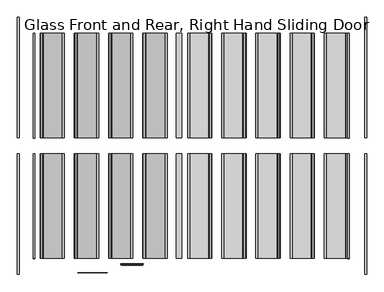
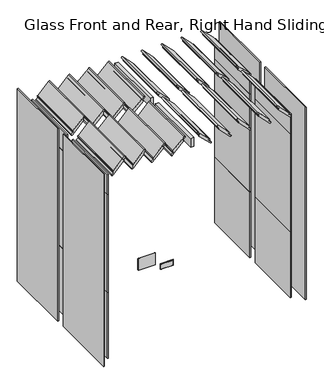
"""IFC4 building model written with IfcOpenShell, lengths in millimetres: furniture geometry, Glass Front and Rear, Right Hand Sliding Door."""

from ifc_helpers import new_model, si_unit, point, frame, frame_2d, origin, origin_with_axes, place, context, project, spatial, polyline, circle_curve, ellipse_curve, trimmed, segment, composite_curve, outline, extrude, source, transform, mapped, element, save
from ifc_brep_helpers import plane_surface, cylinder_surface, advanced_brep


def glass_front_and_rear_right_hand_sliding_door_3e68c222(model_context):
    return source(origin(), model_context, "Body", "SolidModel", [
        extrude(outline(polyline([(1057.0, 1550.0), (1057.0, 875.0), (1022.0, 875.0), (1022.0, 1550.0), (1057.0, 1550.0)])), frame((0.0, 0.0, 2150.0), z_axis=(0.0, 0.0, 1.0), x_axis=(1.0, 0.0, 0.0)), (0.0, 0.0, 1.0), 100.0),
        extrude(outline(polyline([(1022.0, 775.0), (1057.0, 775.0), (1057.0, 100.0), (1022.0, 100.0), (1022.0, 775.0)])), frame((0.0, 0.0, 2150.0), z_axis=(0.0, 0.0, 1.0), x_axis=(1.0, 0.0, 0.0)), (0.0, 0.0, 1.0), 100.0),
        extrude(outline(composite_curve([segment(trimmed(circle_curve(frame_2d((2167.5735931, 170.9669914)), 7.5), [point((2172.876894, 165.6636906))], [point((2167.5735931, 163.4669914))], False, "CARTESIAN"), True, "CONTINUOUS"), segment(trimmed(circle_curve(frame_2d((2167.5735931, 170.9669914)), 7.5), [point((2167.5735931, 163.4669914))], [point((2162.2702923, 165.6636906))], False, "CARTESIAN"), True, "CONTINUOUS"), segment(trimmed(circle_curve(frame_2d((2156.9669914, 160.3603897)), 7.5), [point((2162.2702923, 165.6636906))], [point((2156.9669914, 167.8603897))], True, "CARTESIAN"), True, "CONTINUOUS"), segment(trimmed(circle_curve(frame_2d((2156.9669914, 160.3603897)), 7.5), [point((2156.9669914, 167.8603897))], [point((2151.6636906, 165.6636906))], True, "CARTESIAN"), True, "CONTINUOUS"), segment(polyline([(2151.6636906, 165.6636906), (2134.0039832, 148.0039832)]), True, "CONTINUOUS"), segment(trimmed(circle_curve(frame_2d((2128.7006823, 153.3072841)), 7.5), [point((2134.0039832, 148.0039832))], [point((2123.3973815, 158.6105849))], False, "CARTESIAN"), True, "CONTINUOUS"), segment(polyline([(2123.3973815, 158.6105849), (2247.123106, 282.3363094)]), True, "CONTINUOUS"), segment(trimmed(circle_curve(frame_2d((2252.4264069, 277.0330086)), 7.5), [point((2247.123106, 282.3363094))], [point((2252.4264069, 284.5330086))], False, "CARTESIAN"), True, "CONTINUOUS"), segment(trimmed(circle_curve(frame_2d((2252.4264069, 277.0330086)), 7.5), [point((2252.4264069, 284.5330086))], [point((2257.7297077, 282.3363094))], False, "CARTESIAN"), True, "CONTINUOUS"), segment(trimmed(circle_curve(frame_2d((2263.0330086, 287.6396103)), 7.5), [point((2257.7297077, 282.3363094))], [point((2268.3363094, 282.3363094))], True, "CARTESIAN"), True, "CONTINUOUS"), segment(polyline([(2268.3363094, 282.3363094), (2286.0234488, 300.0234488)]), True, "CONTINUOUS"), segment(trimmed(circle_curve(frame_2d((2291.3267497, 294.720148)), 7.5), [point((2286.0234488, 300.0234488))], [point((2296.6300506, 289.4168471))], False, "CARTESIAN"), True, "CONTINUOUS"), segment(polyline([(2296.6300506, 289.4168471), (2172.876894, 165.6636906)]), True, "CONTINUOUS")], self_intersect=False)), frame((0.0, 875.0, 0.0), z_axis=(0.0, 1.0, 0.0), x_axis=(0.0, 0.0, 1.0)), (0.0, 0.0, 1.0), 675.0),
        extrude(outline(composite_curve([segment(trimmed(circle_curve(frame_2d((2167.5735931, 390.9669914)), 7.5), [point((2172.876894, 385.6636906))], [point((2167.5735931, 383.4669914))], False, "CARTESIAN"), True, "CONTINUOUS"), segment(trimmed(circle_curve(frame_2d((2167.5735931, 390.9669914)), 7.5), [point((2167.5735931, 383.4669914))], [point((2162.2702923, 385.6636906))], False, "CARTESIAN"), True, "CONTINUOUS"), segment(trimmed(circle_curve(frame_2d((2156.9669914, 380.3603897)), 7.5), [point((2162.2702923, 385.6636906))], [point((2156.9669914, 387.8603897))], True, "CARTESIAN"), True, "CONTINUOUS"), segment(trimmed(circle_curve(frame_2d((2156.9669914, 380.3603897)), 7.5), [point((2156.9669914, 387.8603897))], [point((2151.6636906, 385.6636906))], True, "CARTESIAN"), True, "CONTINUOUS"), segment(polyline([(2151.6636906, 385.6636906), (2134.0039832, 368.0039832)]), True, "CONTINUOUS"), segment(trimmed(circle_curve(frame_2d((2128.7006823, 373.3072841)), 7.5), [point((2134.0039832, 368.0039832))], [point((2123.3973815, 378.6105849))], False, "CARTESIAN"), True, "CONTINUOUS"), segment(polyline([(2123.3973815, 378.6105849), (2247.123106, 502.3363094)]), True, "CONTINUOUS"), segment(trimmed(circle_curve(frame_2d((2252.4264069, 497.0330086)), 7.5), [point((2247.123106, 502.3363094))], [point((2252.4264069, 504.5330086))], False, "CARTESIAN"), True, "CONTINUOUS"), segment(trimmed(circle_curve(frame_2d((2252.4264069, 497.0330086)), 7.5), [point((2252.4264069, 504.5330086))], [point((2257.7297077, 502.3363094))], False, "CARTESIAN"), True, "CONTINUOUS"), segment(trimmed(circle_curve(frame_2d((2263.0330086, 507.6396103)), 7.5), [point((2257.7297077, 502.3363094))], [point((2268.3363094, 502.3363094))], True, "CARTESIAN"), True, "CONTINUOUS"), segment(polyline([(2268.3363094, 502.3363094), (2286.0234488, 520.0234488)]), True, "CONTINUOUS"), segment(trimmed(circle_curve(frame_2d((2291.3267497, 514.720148)), 7.5), [point((2286.0234488, 520.0234488))], [point((2296.6300506, 509.4168471))], False, "CARTESIAN"), True, "CONTINUOUS"), segment(polyline([(2296.6300506, 509.4168471), (2172.876894, 385.6636906)]), True, "CONTINUOUS")], self_intersect=False)), frame((0.0, 875.0, 0.0), z_axis=(0.0, 1.0, 0.0), x_axis=(0.0, 0.0, 1.0)), (0.0, 0.0, 1.0), 675.0),
        extrude(outline(composite_curve([segment(trimmed(circle_curve(frame_2d((2167.5735931, 610.9669914)), 7.5), [point((2172.876894, 605.6636906))], [point((2167.5735931, 603.4669914))], False, "CARTESIAN"), True, "CONTINUOUS"), segment(trimmed(circle_curve(frame_2d((2167.5735931, 610.9669914)), 7.5), [point((2167.5735931, 603.4669914))], [point((2162.2702923, 605.6636906))], False, "CARTESIAN"), True, "CONTINUOUS"), segment(trimmed(circle_curve(frame_2d((2156.9669914, 600.3603897)), 7.5), [point((2162.2702923, 605.6636906))], [point((2156.9669914, 607.8603897))], True, "CARTESIAN"), True, "CONTINUOUS"), segment(trimmed(circle_curve(frame_2d((2156.9669914, 600.3603897)), 7.5), [point((2156.9669914, 607.8603897))], [point((2151.6636906, 605.6636906))], True, "CARTESIAN"), True, "CONTINUOUS"), segment(polyline([(2151.6636906, 605.6636906), (2134.0039832, 588.0039832)]), True, "CONTINUOUS"), segment(trimmed(circle_curve(frame_2d((2128.7006823, 593.3072841)), 7.5), [point((2134.0039832, 588.0039832))], [point((2123.3973815, 598.6105849))], False, "CARTESIAN"), True, "CONTINUOUS"), segment(polyline([(2123.3973815, 598.6105849), (2247.123106, 722.3363094)]), True, "CONTINUOUS"), segment(trimmed(circle_curve(frame_2d((2252.4264069, 717.0330086)), 7.5), [point((2247.123106, 722.3363094))], [point((2252.4264069, 724.5330086))], False, "CARTESIAN"), True, "CONTINUOUS"), segment(trimmed(circle_curve(frame_2d((2252.4264069, 717.0330086)), 7.5), [point((2252.4264069, 724.5330086))], [point((2257.7297077, 722.3363094))], False, "CARTESIAN"), True, "CONTINUOUS"), segment(trimmed(circle_curve(frame_2d((2263.0330086, 727.6396103)), 7.5), [point((2257.7297077, 722.3363094))], [point((2268.3363094, 722.3363094))], True, "CARTESIAN"), True, "CONTINUOUS"), segment(polyline([(2268.3363094, 722.3363094), (2286.0234488, 740.0234488)]), True, "CONTINUOUS"), segment(trimmed(circle_curve(frame_2d((2291.3267497, 734.720148)), 7.5), [point((2286.0234488, 740.0234488))], [point((2296.6300506, 729.4168471))], False, "CARTESIAN"), True, "CONTINUOUS"), segment(polyline([(2296.6300506, 729.4168471), (2172.876894, 605.6636906)]), True, "CONTINUOUS")], self_intersect=False)), frame((0.0, 875.0, 0.0), z_axis=(0.0, 1.0, 0.0), x_axis=(0.0, 0.0, 1.0)), (0.0, 0.0, 1.0), 675.0),
        extrude(outline(composite_curve([segment(trimmed(circle_curve(frame_2d((2167.5735931, 830.9669914)), 7.5), [point((2172.876894, 825.6636906))], [point((2167.5735931, 823.4669914))], False, "CARTESIAN"), True, "CONTINUOUS"), segment(trimmed(circle_curve(frame_2d((2167.5735931, 830.9669914)), 7.5), [point((2167.5735931, 823.4669914))], [point((2162.2702923, 825.6636906))], False, "CARTESIAN"), True, "CONTINUOUS"), segment(trimmed(circle_curve(frame_2d((2156.9669914, 820.3603897)), 7.5), [point((2162.2702923, 825.6636906))], [point((2156.9669914, 827.8603897))], True, "CARTESIAN"), True, "CONTINUOUS"), segment(trimmed(circle_curve(frame_2d((2156.9669914, 820.3603897)), 7.5), [point((2156.9669914, 827.8603897))], [point((2151.6636906, 825.6636906))], True, "CARTESIAN"), True, "CONTINUOUS"), segment(polyline([(2151.6636906, 825.6636906), (2134.0039832, 808.0039832)]), True, "CONTINUOUS"), segment(trimmed(circle_curve(frame_2d((2128.7006823, 813.3072841)), 7.5), [point((2134.0039832, 808.0039832))], [point((2123.3973815, 818.6105849))], False, "CARTESIAN"), True, "CONTINUOUS"), segment(polyline([(2123.3973815, 818.6105849), (2247.123106, 942.3363094)]), True, "CONTINUOUS"), segment(trimmed(circle_curve(frame_2d((2252.4264069, 937.0330086)), 7.5), [point((2247.123106, 942.3363094))], [point((2252.4264069, 944.5330086))], False, "CARTESIAN"), True, "CONTINUOUS"), segment(trimmed(circle_curve(frame_2d((2252.4264069, 937.0330086)), 7.5), [point((2252.4264069, 944.5330086))], [point((2257.7297077, 942.3363094))], False, "CARTESIAN"), True, "CONTINUOUS"), segment(trimmed(circle_curve(frame_2d((2263.0330086, 947.6396103)), 7.5), [point((2257.7297077, 942.3363094))], [point((2268.3363094, 942.3363094))], True, "CARTESIAN"), True, "CONTINUOUS"), segment(polyline([(2268.3363094, 942.3363094), (2286.0234488, 960.0234488)]), True, "CONTINUOUS"), segment(trimmed(circle_curve(frame_2d((2291.3267497, 954.720148)), 7.5), [point((2286.0234488, 960.0234488))], [point((2296.6300506, 949.4168471))], False, "CARTESIAN"), True, "CONTINUOUS"), segment(polyline([(2296.6300506, 949.4168471), (2172.876894, 825.6636906)]), True, "CONTINUOUS")], self_intersect=False)), frame((0.0, 875.0, 0.0), z_axis=(0.0, 1.0, 0.0), x_axis=(0.0, 0.0, 1.0)), (0.0, 0.0, 1.0), 675.0),
        extrude(outline(composite_curve([segment(trimmed(circle_curve(frame_2d((2291.3267497, 1101.279852)), 7.5), [point((2296.6300506, 1106.5831529))], [point((2286.0234488, 1095.9765512))], False, "CARTESIAN"), True, "CONTINUOUS"), segment(polyline([(2286.0234488, 1095.9765512), (2268.3363094, 1113.6636906)]), True, "CONTINUOUS"), segment(trimmed(circle_curve(frame_2d((2263.0330086, 1108.3603897)), 7.5), [point((2268.3363094, 1113.6636906))], [point((2257.7297077, 1113.6636906))], True, "CARTESIAN"), True, "CONTINUOUS"), segment(trimmed(circle_curve(frame_2d((2252.4264069, 1118.9669914)), 7.5), [point((2257.7297077, 1113.6636906))], [point((2252.4264069, 1111.4669914))], False, "CARTESIAN"), True, "CONTINUOUS"), segment(trimmed(circle_curve(frame_2d((2252.4264069, 1118.9669914)), 7.5), [point((2252.4264069, 1111.4669914))], [point((2247.123106, 1113.6636906))], False, "CARTESIAN"), True, "CONTINUOUS"), segment(polyline([(2247.123106, 1113.6636906), (2123.3973815, 1237.3894151)]), True, "CONTINUOUS"), segment(trimmed(circle_curve(frame_2d((2128.7006823, 1242.6927159)), 7.5), [point((2123.3973815, 1237.3894151))], [point((2134.0039832, 1247.9960168))], False, "CARTESIAN"), True, "CONTINUOUS"), segment(polyline([(2134.0039832, 1247.9960168), (2151.6636906, 1230.3363094)]), True, "CONTINUOUS"), segment(trimmed(circle_curve(frame_2d((2156.9669914, 1235.6396103)), 7.5), [point((2151.6636906, 1230.3363094))], [point((2156.9669914, 1228.1396103))], True, "CARTESIAN"), True, "CONTINUOUS"), segment(trimmed(circle_curve(frame_2d((2156.9669914, 1235.6396103)), 7.5), [point((2156.9669914, 1228.1396103))], [point((2162.2702923, 1230.3363094))], True, "CARTESIAN"), True, "CONTINUOUS"), segment(trimmed(circle_curve(frame_2d((2167.5735931, 1225.0330086)), 7.5), [point((2162.2702923, 1230.3363094))], [point((2167.5735931, 1232.5330086))], False, "CARTESIAN"), True, "CONTINUOUS"), segment(trimmed(circle_curve(frame_2d((2167.5735931, 1225.0330086)), 7.5), [point((2167.5735931, 1232.5330086))], [point((2172.876894, 1230.3363094))], False, "CARTESIAN"), True, "CONTINUOUS"), segment(polyline([(2172.876894, 1230.3363094), (2296.6300506, 1106.5831529)]), True, "CONTINUOUS")], self_intersect=False)), frame((0.0, 875.0, 0.0), z_axis=(0.0, 1.0, 0.0), x_axis=(0.0, 0.0, 1.0)), (0.0, 0.0, 1.0), 675.0),
        extrude(outline(composite_curve([segment(trimmed(circle_curve(frame_2d((2291.3267497, 1321.279852)), 7.5), [point((2296.6300506, 1326.5831529))], [point((2286.0234488, 1315.9765512))], False, "CARTESIAN"), True, "CONTINUOUS"), segment(polyline([(2286.0234488, 1315.9765512), (2268.3363094, 1333.6636906)]), True, "CONTINUOUS"), segment(trimmed(circle_curve(frame_2d((2263.0330086, 1328.3603897)), 7.5), [point((2268.3363094, 1333.6636906))], [point((2257.7297077, 1333.6636906))], True, "CARTESIAN"), True, "CONTINUOUS"), segment(trimmed(circle_curve(frame_2d((2252.4264069, 1338.9669914)), 7.5), [point((2257.7297077, 1333.6636906))], [point((2252.4264069, 1331.4669914))], False, "CARTESIAN"), True, "CONTINUOUS"), segment(trimmed(circle_curve(frame_2d((2252.4264069, 1338.9669914)), 7.5), [point((2252.4264069, 1331.4669914))], [point((2247.123106, 1333.6636906))], False, "CARTESIAN"), True, "CONTINUOUS"), segment(polyline([(2247.123106, 1333.6636906), (2123.3973815, 1457.3894151)]), True, "CONTINUOUS"), segment(trimmed(circle_curve(frame_2d((2128.7006823, 1462.6927159)), 7.5), [point((2123.3973815, 1457.3894151))], [point((2134.0039832, 1467.9960168))], False, "CARTESIAN"), True, "CONTINUOUS"), segment(polyline([(2134.0039832, 1467.9960168), (2151.6636906, 1450.3363094)]), True, "CONTINUOUS"), segment(trimmed(circle_curve(frame_2d((2156.9669914, 1455.6396103)), 7.5), [point((2151.6636906, 1450.3363094))], [point((2156.9669914, 1448.1396103))], True, "CARTESIAN"), True, "CONTINUOUS"), segment(trimmed(circle_curve(frame_2d((2156.9669914, 1455.6396103)), 7.5), [point((2156.9669914, 1448.1396103))], [point((2162.2702923, 1450.3363094))], True, "CARTESIAN"), True, "CONTINUOUS"), segment(trimmed(circle_curve(frame_2d((2167.5735931, 1445.0330086)), 7.5), [point((2162.2702923, 1450.3363094))], [point((2167.5735931, 1452.5330086))], False, "CARTESIAN"), True, "CONTINUOUS"), segment(trimmed(circle_curve(frame_2d((2167.5735931, 1445.0330086)), 7.5), [point((2167.5735931, 1452.5330086))], [point((2172.876894, 1450.3363094))], False, "CARTESIAN"), True, "CONTINUOUS"), segment(polyline([(2172.876894, 1450.3363094), (2296.6300506, 1326.5831529)]), True, "CONTINUOUS")], self_intersect=False)), frame((0.0, 875.0, 0.0), z_axis=(0.0, 1.0, 0.0), x_axis=(0.0, 0.0, 1.0)), (0.0, 0.0, 1.0), 675.0),
        extrude(outline(composite_curve([segment(trimmed(circle_curve(frame_2d((2291.3267497, 1541.279852)), 7.5), [point((2296.6300506, 1546.5831529))], [point((2286.0234488, 1535.9765512))], False, "CARTESIAN"), True, "CONTINUOUS"), segment(polyline([(2286.0234488, 1535.9765512), (2268.3363094, 1553.6636906)]), True, "CONTINUOUS"), segment(trimmed(circle_curve(frame_2d((2263.0330086, 1548.3603897)), 7.5), [point((2268.3363094, 1553.6636906))], [point((2257.7297077, 1553.6636906))], True, "CARTESIAN"), True, "CONTINUOUS"), segment(trimmed(circle_curve(frame_2d((2252.4264069, 1558.9669914)), 7.5), [point((2257.7297077, 1553.6636906))], [point((2252.4264069, 1551.4669914))], False, "CARTESIAN"), True, "CONTINUOUS"), segment(trimmed(circle_curve(frame_2d((2252.4264069, 1558.9669914)), 7.5), [point((2252.4264069, 1551.4669914))], [point((2247.123106, 1553.6636906))], False, "CARTESIAN"), True, "CONTINUOUS"), segment(polyline([(2247.123106, 1553.6636906), (2123.3973815, 1677.3894151)]), True, "CONTINUOUS"), segment(trimmed(circle_curve(frame_2d((2128.7006823, 1682.6927159)), 7.5), [point((2123.3973815, 1677.3894151))], [point((2134.0039832, 1687.9960168))], False, "CARTESIAN"), True, "CONTINUOUS"), segment(polyline([(2134.0039832, 1687.9960168), (2151.6636906, 1670.3363094)]), True, "CONTINUOUS"), segment(trimmed(circle_curve(frame_2d((2156.9669914, 1675.6396103)), 7.5), [point((2151.6636906, 1670.3363094))], [point((2156.9669914, 1668.1396103))], True, "CARTESIAN"), True, "CONTINUOUS"), segment(trimmed(circle_curve(frame_2d((2156.9669914, 1675.6396103)), 7.5), [point((2156.9669914, 1668.1396103))], [point((2162.2702923, 1670.3363094))], True, "CARTESIAN"), True, "CONTINUOUS"), segment(trimmed(circle_curve(frame_2d((2167.5735931, 1665.0330086)), 7.5), [point((2162.2702923, 1670.3363094))], [point((2167.5735931, 1672.5330086))], False, "CARTESIAN"), True, "CONTINUOUS"), segment(trimmed(circle_curve(frame_2d((2167.5735931, 1665.0330086)), 7.5), [point((2167.5735931, 1672.5330086))], [point((2172.876894, 1670.3363094))], False, "CARTESIAN"), True, "CONTINUOUS"), segment(polyline([(2172.876894, 1670.3363094), (2296.6300506, 1546.5831529)]), True, "CONTINUOUS")], self_intersect=False)), frame((0.0, 875.0, 0.0), z_axis=(0.0, 1.0, 0.0), x_axis=(0.0, 0.0, 1.0)), (0.0, 0.0, 1.0), 675.0),
        extrude(outline(composite_curve([segment(trimmed(circle_curve(frame_2d((2291.3267497, 1761.279852)), 7.5), [point((2296.6300506, 1766.5831529))], [point((2286.0234488, 1755.9765512))], False, "CARTESIAN"), True, "CONTINUOUS"), segment(polyline([(2286.0234488, 1755.9765512), (2268.3363094, 1773.6636906)]), True, "CONTINUOUS"), segment(trimmed(circle_curve(frame_2d((2263.0330086, 1768.3603897)), 7.5), [point((2268.3363094, 1773.6636906))], [point((2257.7297077, 1773.6636906))], True, "CARTESIAN"), True, "CONTINUOUS"), segment(trimmed(circle_curve(frame_2d((2252.4264069, 1778.9669914)), 7.5), [point((2257.7297077, 1773.6636906))], [point((2252.4264069, 1771.4669914))], False, "CARTESIAN"), True, "CONTINUOUS"), segment(trimmed(circle_curve(frame_2d((2252.4264069, 1778.9669914)), 7.5), [point((2252.4264069, 1771.4669914))], [point((2247.123106, 1773.6636906))], False, "CARTESIAN"), True, "CONTINUOUS"), segment(polyline([(2247.123106, 1773.6636906), (2123.3973815, 1897.3894151)]), True, "CONTINUOUS"), segment(trimmed(circle_curve(frame_2d((2128.7006823, 1902.6927159)), 7.5), [point((2123.3973815, 1897.3894151))], [point((2134.0039832, 1907.9960168))], False, "CARTESIAN"), True, "CONTINUOUS"), segment(polyline([(2134.0039832, 1907.9960168), (2151.6636906, 1890.3363094)]), True, "CONTINUOUS"), segment(trimmed(circle_curve(frame_2d((2156.9669914, 1895.6396103)), 7.5), [point((2151.6636906, 1890.3363094))], [point((2156.9669914, 1888.1396103))], True, "CARTESIAN"), True, "CONTINUOUS"), segment(trimmed(circle_curve(frame_2d((2156.9669914, 1895.6396103)), 7.5), [point((2156.9669914, 1888.1396103))], [point((2162.2702923, 1890.3363094))], True, "CARTESIAN"), True, "CONTINUOUS"), segment(trimmed(circle_curve(frame_2d((2167.5735931, 1885.0330086)), 7.5), [point((2162.2702923, 1890.3363094))], [point((2167.5735931, 1892.5330086))], False, "CARTESIAN"), True, "CONTINUOUS"), segment(trimmed(circle_curve(frame_2d((2167.5735931, 1885.0330086)), 7.5), [point((2167.5735931, 1892.5330086))], [point((2172.876894, 1890.3363094))], False, "CARTESIAN"), True, "CONTINUOUS"), segment(polyline([(2172.876894, 1890.3363094), (2296.6300506, 1766.5831529)]), True, "CONTINUOUS")], self_intersect=False)), frame((0.0, 875.0, 0.0), z_axis=(0.0, 1.0, 0.0), x_axis=(0.0, 0.0, 1.0)), (0.0, 0.0, 1.0), 675.0),
        extrude(outline(composite_curve([segment(trimmed(circle_curve(frame_2d((2291.3267497, 1981.279852)), 7.5), [point((2296.6300506, 1986.5831529))], [point((2286.0234488, 1975.9765512))], False, "CARTESIAN"), True, "CONTINUOUS"), segment(polyline([(2286.0234488, 1975.9765512), (2268.3363094, 1993.6636906)]), True, "CONTINUOUS"), segment(trimmed(circle_curve(frame_2d((2263.0330086, 1988.3603897)), 7.5), [point((2268.3363094, 1993.6636906))], [point((2257.7297077, 1993.6636906))], True, "CARTESIAN"), True, "CONTINUOUS"), segment(trimmed(circle_curve(frame_2d((2252.4264069, 1998.9669914)), 7.5), [point((2257.7297077, 1993.6636906))], [point((2252.4264069, 1991.4669914))], False, "CARTESIAN"), True, "CONTINUOUS"), segment(trimmed(circle_curve(frame_2d((2252.4264069, 1998.9669914)), 7.5), [point((2252.4264069, 1991.4669914))], [point((2247.123106, 1993.6636906))], False, "CARTESIAN"), True, "CONTINUOUS"), segment(polyline([(2247.123106, 1993.6636906), (2123.3973815, 2117.3894151)]), True, "CONTINUOUS"), segment(trimmed(circle_curve(frame_2d((2128.7006823, 2122.6927159)), 7.5), [point((2123.3973815, 2117.3894151))], [point((2134.0039832, 2127.9960168))], False, "CARTESIAN"), True, "CONTINUOUS"), segment(polyline([(2134.0039832, 2127.9960168), (2151.6636906, 2110.3363094)]), True, "CONTINUOUS"), segment(trimmed(circle_curve(frame_2d((2156.9669914, 2115.6396103)), 7.5), [point((2151.6636906, 2110.3363094))], [point((2156.9669914, 2108.1396103))], True, "CARTESIAN"), True, "CONTINUOUS"), segment(trimmed(circle_curve(frame_2d((2156.9669914, 2115.6396103)), 7.5), [point((2156.9669914, 2108.1396103))], [point((2162.2702923, 2110.3363094))], True, "CARTESIAN"), True, "CONTINUOUS"), segment(trimmed(circle_curve(frame_2d((2167.5735931, 2105.0330086)), 7.5), [point((2162.2702923, 2110.3363094))], [point((2167.5735931, 2112.5330086))], False, "CARTESIAN"), True, "CONTINUOUS"), segment(trimmed(circle_curve(frame_2d((2167.5735931, 2105.0330086)), 7.5), [point((2167.5735931, 2112.5330086))], [point((2172.876894, 2110.3363094))], False, "CARTESIAN"), True, "CONTINUOUS"), segment(polyline([(2172.876894, 2110.3363094), (2296.6300506, 1986.5831529)]), True, "CONTINUOUS")], self_intersect=False)), frame((0.0, 875.0, 0.0), z_axis=(0.0, 1.0, 0.0), x_axis=(0.0, 0.0, 1.0)), (0.0, 0.0, 1.0), 675.0),
        extrude(outline(composite_curve([segment(trimmed(circle_curve(frame_2d((2167.5735931, 170.9669914)), 7.5), [point((2172.876894, 165.6636906))], [point((2167.5735931, 163.4669914))], False, "CARTESIAN"), True, "CONTINUOUS"), segment(trimmed(circle_curve(frame_2d((2167.5735931, 170.9669914)), 7.5), [point((2167.5735931, 163.4669914))], [point((2162.2702923, 165.6636906))], False, "CARTESIAN"), True, "CONTINUOUS"), segment(trimmed(circle_curve(frame_2d((2156.9669914, 160.3603897)), 7.5), [point((2162.2702923, 165.6636906))], [point((2156.9669914, 167.8603897))], True, "CARTESIAN"), True, "CONTINUOUS"), segment(trimmed(circle_curve(frame_2d((2156.9669914, 160.3603897)), 7.5), [point((2156.9669914, 167.8603897))], [point((2151.6636906, 165.6636906))], True, "CARTESIAN"), True, "CONTINUOUS"), segment(polyline([(2151.6636906, 165.6636906), (2134.0039832, 148.0039832)]), True, "CONTINUOUS"), segment(trimmed(circle_curve(frame_2d((2128.7006823, 153.3072841)), 7.5), [point((2134.0039832, 148.0039832))], [point((2123.3973815, 158.6105849))], False, "CARTESIAN"), True, "CONTINUOUS"), segment(polyline([(2123.3973815, 158.6105849), (2247.123106, 282.3363094)]), True, "CONTINUOUS"), segment(trimmed(circle_curve(frame_2d((2252.4264069, 277.0330086)), 7.5), [point((2247.123106, 282.3363094))], [point((2252.4264069, 284.5330086))], False, "CARTESIAN"), True, "CONTINUOUS"), segment(trimmed(circle_curve(frame_2d((2252.4264069, 277.0330086)), 7.5), [point((2252.4264069, 284.5330086))], [point((2257.7297077, 282.3363094))], False, "CARTESIAN"), True, "CONTINUOUS"), segment(trimmed(circle_curve(frame_2d((2263.0330086, 287.6396103)), 7.5), [point((2257.7297077, 282.3363094))], [point((2268.3363094, 282.3363094))], True, "CARTESIAN"), True, "CONTINUOUS"), segment(polyline([(2268.3363094, 282.3363094), (2286.0234488, 300.0234488)]), True, "CONTINUOUS"), segment(trimmed(circle_curve(frame_2d((2291.3267497, 294.720148)), 7.5), [point((2286.0234488, 300.0234488))], [point((2296.6300506, 289.4168471))], False, "CARTESIAN"), True, "CONTINUOUS"), segment(polyline([(2296.6300506, 289.4168471), (2172.876894, 165.6636906)]), True, "CONTINUOUS")], self_intersect=False)), frame((0.0, 100.0, 0.0), z_axis=(0.0, 1.0, 0.0), x_axis=(0.0, 0.0, 1.0)), (0.0, 0.0, 1.0), 675.0),
        extrude(outline(composite_curve([segment(trimmed(circle_curve(frame_2d((2167.5735931, 390.9669914)), 7.5), [point((2172.876894, 385.6636906))], [point((2167.5735931, 383.4669914))], False, "CARTESIAN"), True, "CONTINUOUS"), segment(trimmed(circle_curve(frame_2d((2167.5735931, 390.9669914)), 7.5), [point((2167.5735931, 383.4669914))], [point((2162.2702923, 385.6636906))], False, "CARTESIAN"), True, "CONTINUOUS"), segment(trimmed(circle_curve(frame_2d((2156.9669914, 380.3603897)), 7.5), [point((2162.2702923, 385.6636906))], [point((2156.9669914, 387.8603897))], True, "CARTESIAN"), True, "CONTINUOUS"), segment(trimmed(circle_curve(frame_2d((2156.9669914, 380.3603897)), 7.5), [point((2156.9669914, 387.8603897))], [point((2151.6636906, 385.6636906))], True, "CARTESIAN"), True, "CONTINUOUS"), segment(polyline([(2151.6636906, 385.6636906), (2134.0039832, 368.0039832)]), True, "CONTINUOUS"), segment(trimmed(circle_curve(frame_2d((2128.7006823, 373.3072841)), 7.5), [point((2134.0039832, 368.0039832))], [point((2123.3973815, 378.6105849))], False, "CARTESIAN"), True, "CONTINUOUS"), segment(polyline([(2123.3973815, 378.6105849), (2247.123106, 502.3363094)]), True, "CONTINUOUS"), segment(trimmed(circle_curve(frame_2d((2252.4264069, 497.0330086)), 7.5), [point((2247.123106, 502.3363094))], [point((2252.4264069, 504.5330086))], False, "CARTESIAN"), True, "CONTINUOUS"), segment(trimmed(circle_curve(frame_2d((2252.4264069, 497.0330086)), 7.5), [point((2252.4264069, 504.5330086))], [point((2257.7297077, 502.3363094))], False, "CARTESIAN"), True, "CONTINUOUS"), segment(trimmed(circle_curve(frame_2d((2263.0330086, 507.6396103)), 7.5), [point((2257.7297077, 502.3363094))], [point((2268.3363094, 502.3363094))], True, "CARTESIAN"), True, "CONTINUOUS"), segment(polyline([(2268.3363094, 502.3363094), (2286.0234488, 520.0234488)]), True, "CONTINUOUS"), segment(trimmed(circle_curve(frame_2d((2291.3267497, 514.720148)), 7.5), [point((2286.0234488, 520.0234488))], [point((2296.6300506, 509.4168471))], False, "CARTESIAN"), True, "CONTINUOUS"), segment(polyline([(2296.6300506, 509.4168471), (2172.876894, 385.6636906)]), True, "CONTINUOUS")], self_intersect=False)), frame((0.0, 100.0, 0.0), z_axis=(0.0, 1.0, 0.0), x_axis=(0.0, 0.0, 1.0)), (0.0, 0.0, 1.0), 675.0),
        extrude(outline(composite_curve([segment(trimmed(circle_curve(frame_2d((2167.5735931, 610.9669914)), 7.5), [point((2172.876894, 605.6636906))], [point((2167.5735931, 603.4669914))], False, "CARTESIAN"), True, "CONTINUOUS"), segment(trimmed(circle_curve(frame_2d((2167.5735931, 610.9669914)), 7.5), [point((2167.5735931, 603.4669914))], [point((2162.2702923, 605.6636906))], False, "CARTESIAN"), True, "CONTINUOUS"), segment(trimmed(circle_curve(frame_2d((2156.9669914, 600.3603897)), 7.5), [point((2162.2702923, 605.6636906))], [point((2156.9669914, 607.8603897))], True, "CARTESIAN"), True, "CONTINUOUS"), segment(trimmed(circle_curve(frame_2d((2156.9669914, 600.3603897)), 7.5), [point((2156.9669914, 607.8603897))], [point((2151.6636906, 605.6636906))], True, "CARTESIAN"), True, "CONTINUOUS"), segment(polyline([(2151.6636906, 605.6636906), (2134.0039832, 588.0039832)]), True, "CONTINUOUS"), segment(trimmed(circle_curve(frame_2d((2128.7006823, 593.3072841)), 7.5), [point((2134.0039832, 588.0039832))], [point((2123.3973815, 598.6105849))], False, "CARTESIAN"), True, "CONTINUOUS"), segment(polyline([(2123.3973815, 598.6105849), (2247.123106, 722.3363094)]), True, "CONTINUOUS"), segment(trimmed(circle_curve(frame_2d((2252.4264069, 717.0330086)), 7.5), [point((2247.123106, 722.3363094))], [point((2252.4264069, 724.5330086))], False, "CARTESIAN"), True, "CONTINUOUS"), segment(trimmed(circle_curve(frame_2d((2252.4264069, 717.0330086)), 7.5), [point((2252.4264069, 724.5330086))], [point((2257.7297077, 722.3363094))], False, "CARTESIAN"), True, "CONTINUOUS"), segment(trimmed(circle_curve(frame_2d((2263.0330086, 727.6396103)), 7.5), [point((2257.7297077, 722.3363094))], [point((2268.3363094, 722.3363094))], True, "CARTESIAN"), True, "CONTINUOUS"), segment(polyline([(2268.3363094, 722.3363094), (2286.0234488, 740.0234488)]), True, "CONTINUOUS"), segment(trimmed(circle_curve(frame_2d((2291.3267497, 734.720148)), 7.5), [point((2286.0234488, 740.0234488))], [point((2296.6300506, 729.4168471))], False, "CARTESIAN"), True, "CONTINUOUS"), segment(polyline([(2296.6300506, 729.4168471), (2172.876894, 605.6636906)]), True, "CONTINUOUS")], self_intersect=False)), frame((0.0, 100.0, 0.0), z_axis=(0.0, 1.0, 0.0), x_axis=(0.0, 0.0, 1.0)), (0.0, 0.0, 1.0), 675.0),
        extrude(outline(composite_curve([segment(trimmed(circle_curve(frame_2d((2167.5735931, 830.9669914)), 7.5), [point((2172.876894, 825.6636906))], [point((2167.5735931, 823.4669914))], False, "CARTESIAN"), True, "CONTINUOUS"), segment(trimmed(circle_curve(frame_2d((2167.5735931, 830.9669914)), 7.5), [point((2167.5735931, 823.4669914))], [point((2162.2702923, 825.6636906))], False, "CARTESIAN"), True, "CONTINUOUS"), segment(trimmed(circle_curve(frame_2d((2156.9669914, 820.3603897)), 7.5), [point((2162.2702923, 825.6636906))], [point((2156.9669914, 827.8603897))], True, "CARTESIAN"), True, "CONTINUOUS"), segment(trimmed(circle_curve(frame_2d((2156.9669914, 820.3603897)), 7.5), [point((2156.9669914, 827.8603897))], [point((2151.6636906, 825.6636906))], True, "CARTESIAN"), True, "CONTINUOUS"), segment(polyline([(2151.6636906, 825.6636906), (2134.0039832, 808.0039832)]), True, "CONTINUOUS"), segment(trimmed(circle_curve(frame_2d((2128.7006823, 813.3072841)), 7.5), [point((2134.0039832, 808.0039832))], [point((2123.3973815, 818.6105849))], False, "CARTESIAN"), True, "CONTINUOUS"), segment(polyline([(2123.3973815, 818.6105849), (2247.123106, 942.3363094)]), True, "CONTINUOUS"), segment(trimmed(circle_curve(frame_2d((2252.4264069, 937.0330086)), 7.5), [point((2247.123106, 942.3363094))], [point((2252.4264069, 944.5330086))], False, "CARTESIAN"), True, "CONTINUOUS"), segment(trimmed(circle_curve(frame_2d((2252.4264069, 937.0330086)), 7.5), [point((2252.4264069, 944.5330086))], [point((2257.7297077, 942.3363094))], False, "CARTESIAN"), True, "CONTINUOUS"), segment(trimmed(circle_curve(frame_2d((2263.0330086, 947.6396103)), 7.5), [point((2257.7297077, 942.3363094))], [point((2268.3363094, 942.3363094))], True, "CARTESIAN"), True, "CONTINUOUS"), segment(polyline([(2268.3363094, 942.3363094), (2286.0234488, 960.0234488)]), True, "CONTINUOUS"), segment(trimmed(circle_curve(frame_2d((2291.3267497, 954.720148)), 7.5), [point((2286.0234488, 960.0234488))], [point((2296.6300506, 949.4168471))], False, "CARTESIAN"), True, "CONTINUOUS"), segment(polyline([(2296.6300506, 949.4168471), (2172.876894, 825.6636906)]), True, "CONTINUOUS")], self_intersect=False)), frame((0.0, 100.0, 0.0), z_axis=(0.0, 1.0, 0.0), x_axis=(0.0, 0.0, 1.0)), (0.0, 0.0, 1.0), 675.0),
        extrude(outline(composite_curve([segment(trimmed(circle_curve(frame_2d((2291.3267497, 1101.279852)), 7.5), [point((2296.6300506, 1106.5831529))], [point((2286.0234488, 1095.9765512))], False, "CARTESIAN"), True, "CONTINUOUS"), segment(polyline([(2286.0234488, 1095.9765512), (2268.3363094, 1113.6636906)]), True, "CONTINUOUS"), segment(trimmed(circle_curve(frame_2d((2263.0330086, 1108.3603897)), 7.5), [point((2268.3363094, 1113.6636906))], [point((2257.7297077, 1113.6636906))], True, "CARTESIAN"), True, "CONTINUOUS"), segment(trimmed(circle_curve(frame_2d((2252.4264069, 1118.9669914)), 7.5), [point((2257.7297077, 1113.6636906))], [point((2252.4264069, 1111.4669914))], False, "CARTESIAN"), True, "CONTINUOUS"), segment(trimmed(circle_curve(frame_2d((2252.4264069, 1118.9669914)), 7.5), [point((2252.4264069, 1111.4669914))], [point((2247.123106, 1113.6636906))], False, "CARTESIAN"), True, "CONTINUOUS"), segment(polyline([(2247.123106, 1113.6636906), (2123.3973815, 1237.3894151)]), True, "CONTINUOUS"), segment(trimmed(circle_curve(frame_2d((2128.7006823, 1242.6927159)), 7.5), [point((2123.3973815, 1237.3894151))], [point((2134.0039832, 1247.9960168))], False, "CARTESIAN"), True, "CONTINUOUS"), segment(polyline([(2134.0039832, 1247.9960168), (2151.6636906, 1230.3363094)]), True, "CONTINUOUS"), segment(trimmed(circle_curve(frame_2d((2156.9669914, 1235.6396103)), 7.5), [point((2151.6636906, 1230.3363094))], [point((2156.9669914, 1228.1396103))], True, "CARTESIAN"), True, "CONTINUOUS"), segment(trimmed(circle_curve(frame_2d((2156.9669914, 1235.6396103)), 7.5), [point((2156.9669914, 1228.1396103))], [point((2162.2702923, 1230.3363094))], True, "CARTESIAN"), True, "CONTINUOUS"), segment(trimmed(circle_curve(frame_2d((2167.5735931, 1225.0330086)), 7.5), [point((2162.2702923, 1230.3363094))], [point((2167.5735931, 1232.5330086))], False, "CARTESIAN"), True, "CONTINUOUS"), segment(trimmed(circle_curve(frame_2d((2167.5735931, 1225.0330086)), 7.5), [point((2167.5735931, 1232.5330086))], [point((2172.876894, 1230.3363094))], False, "CARTESIAN"), True, "CONTINUOUS"), segment(polyline([(2172.876894, 1230.3363094), (2296.6300506, 1106.5831529)]), True, "CONTINUOUS")], self_intersect=False)), frame((0.0, 100.0, 0.0), z_axis=(0.0, 1.0, 0.0), x_axis=(0.0, 0.0, 1.0)), (0.0, 0.0, 1.0), 675.0),
        extrude(outline(composite_curve([segment(trimmed(circle_curve(frame_2d((2291.3267497, 1321.279852)), 7.5), [point((2296.6300506, 1326.5831529))], [point((2286.0234488, 1315.9765512))], False, "CARTESIAN"), True, "CONTINUOUS"), segment(polyline([(2286.0234488, 1315.9765512), (2268.3363094, 1333.6636906)]), True, "CONTINUOUS"), segment(trimmed(circle_curve(frame_2d((2263.0330086, 1328.3603897)), 7.5), [point((2268.3363094, 1333.6636906))], [point((2257.7297077, 1333.6636906))], True, "CARTESIAN"), True, "CONTINUOUS"), segment(trimmed(circle_curve(frame_2d((2252.4264069, 1338.9669914)), 7.5), [point((2257.7297077, 1333.6636906))], [point((2252.4264069, 1331.4669914))], False, "CARTESIAN"), True, "CONTINUOUS"), segment(trimmed(circle_curve(frame_2d((2252.4264069, 1338.9669914)), 7.5), [point((2252.4264069, 1331.4669914))], [point((2247.123106, 1333.6636906))], False, "CARTESIAN"), True, "CONTINUOUS"), segment(polyline([(2247.123106, 1333.6636906), (2123.3973815, 1457.3894151)]), True, "CONTINUOUS"), segment(trimmed(circle_curve(frame_2d((2128.7006823, 1462.6927159)), 7.5), [point((2123.3973815, 1457.3894151))], [point((2134.0039832, 1467.9960168))], False, "CARTESIAN"), True, "CONTINUOUS"), segment(polyline([(2134.0039832, 1467.9960168), (2151.6636906, 1450.3363094)]), True, "CONTINUOUS"), segment(trimmed(circle_curve(frame_2d((2156.9669914, 1455.6396103)), 7.5), [point((2151.6636906, 1450.3363094))], [point((2156.9669914, 1448.1396103))], True, "CARTESIAN"), True, "CONTINUOUS"), segment(trimmed(circle_curve(frame_2d((2156.9669914, 1455.6396103)), 7.5), [point((2156.9669914, 1448.1396103))], [point((2162.2702923, 1450.3363094))], True, "CARTESIAN"), True, "CONTINUOUS"), segment(trimmed(circle_curve(frame_2d((2167.5735931, 1445.0330086)), 7.5), [point((2162.2702923, 1450.3363094))], [point((2167.5735931, 1452.5330086))], False, "CARTESIAN"), True, "CONTINUOUS"), segment(trimmed(circle_curve(frame_2d((2167.5735931, 1445.0330086)), 7.5), [point((2167.5735931, 1452.5330086))], [point((2172.876894, 1450.3363094))], False, "CARTESIAN"), True, "CONTINUOUS"), segment(polyline([(2172.876894, 1450.3363094), (2296.6300506, 1326.5831529)]), True, "CONTINUOUS")], self_intersect=False)), frame((0.0, 100.0, 0.0), z_axis=(0.0, 1.0, 0.0), x_axis=(0.0, 0.0, 1.0)), (0.0, 0.0, 1.0), 675.0),
        extrude(outline(composite_curve([segment(trimmed(circle_curve(frame_2d((2291.3267497, 1541.279852)), 7.5), [point((2296.6300506, 1546.5831529))], [point((2286.0234488, 1535.9765512))], False, "CARTESIAN"), True, "CONTINUOUS"), segment(polyline([(2286.0234488, 1535.9765512), (2268.3363094, 1553.6636906)]), True, "CONTINUOUS"), segment(trimmed(circle_curve(frame_2d((2263.0330086, 1548.3603897)), 7.5), [point((2268.3363094, 1553.6636906))], [point((2257.7297077, 1553.6636906))], True, "CARTESIAN"), True, "CONTINUOUS"), segment(trimmed(circle_curve(frame_2d((2252.4264069, 1558.9669914)), 7.5), [point((2257.7297077, 1553.6636906))], [point((2252.4264069, 1551.4669914))], False, "CARTESIAN"), True, "CONTINUOUS"), segment(trimmed(circle_curve(frame_2d((2252.4264069, 1558.9669914)), 7.5), [point((2252.4264069, 1551.4669914))], [point((2247.123106, 1553.6636906))], False, "CARTESIAN"), True, "CONTINUOUS"), segment(polyline([(2247.123106, 1553.6636906), (2123.3973815, 1677.3894151)]), True, "CONTINUOUS"), segment(trimmed(circle_curve(frame_2d((2128.7006823, 1682.6927159)), 7.5), [point((2123.3973815, 1677.3894151))], [point((2134.0039832, 1687.9960168))], False, "CARTESIAN"), True, "CONTINUOUS"), segment(polyline([(2134.0039832, 1687.9960168), (2151.6636906, 1670.3363094)]), True, "CONTINUOUS"), segment(trimmed(circle_curve(frame_2d((2156.9669914, 1675.6396103)), 7.5), [point((2151.6636906, 1670.3363094))], [point((2156.9669914, 1668.1396103))], True, "CARTESIAN"), True, "CONTINUOUS"), segment(trimmed(circle_curve(frame_2d((2156.9669914, 1675.6396103)), 7.5), [point((2156.9669914, 1668.1396103))], [point((2162.2702923, 1670.3363094))], True, "CARTESIAN"), True, "CONTINUOUS"), segment(trimmed(circle_curve(frame_2d((2167.5735931, 1665.0330086)), 7.5), [point((2162.2702923, 1670.3363094))], [point((2167.5735931, 1672.5330086))], False, "CARTESIAN"), True, "CONTINUOUS"), segment(trimmed(circle_curve(frame_2d((2167.5735931, 1665.0330086)), 7.5), [point((2167.5735931, 1672.5330086))], [point((2172.876894, 1670.3363094))], False, "CARTESIAN"), True, "CONTINUOUS"), segment(polyline([(2172.876894, 1670.3363094), (2296.6300506, 1546.5831529)]), True, "CONTINUOUS")], self_intersect=False)), frame((0.0, 100.0, 0.0), z_axis=(0.0, 1.0, 0.0), x_axis=(0.0, 0.0, 1.0)), (0.0, 0.0, 1.0), 675.0),
        extrude(outline(composite_curve([segment(trimmed(circle_curve(frame_2d((2291.3267497, 1761.279852)), 7.5), [point((2296.6300506, 1766.5831529))], [point((2286.0234488, 1755.9765512))], False, "CARTESIAN"), True, "CONTINUOUS"), segment(polyline([(2286.0234488, 1755.9765512), (2268.3363094, 1773.6636906)]), True, "CONTINUOUS"), segment(trimmed(circle_curve(frame_2d((2263.0330086, 1768.3603897)), 7.5), [point((2268.3363094, 1773.6636906))], [point((2257.7297077, 1773.6636906))], True, "CARTESIAN"), True, "CONTINUOUS"), segment(trimmed(circle_curve(frame_2d((2252.4264069, 1778.9669914)), 7.5), [point((2257.7297077, 1773.6636906))], [point((2252.4264069, 1771.4669914))], False, "CARTESIAN"), True, "CONTINUOUS"), segment(trimmed(circle_curve(frame_2d((2252.4264069, 1778.9669914)), 7.5), [point((2252.4264069, 1771.4669914))], [point((2247.123106, 1773.6636906))], False, "CARTESIAN"), True, "CONTINUOUS"), segment(polyline([(2247.123106, 1773.6636906), (2123.3973815, 1897.3894151)]), True, "CONTINUOUS"), segment(trimmed(circle_curve(frame_2d((2128.7006823, 1902.6927159)), 7.5), [point((2123.3973815, 1897.3894151))], [point((2134.0039832, 1907.9960168))], False, "CARTESIAN"), True, "CONTINUOUS"), segment(polyline([(2134.0039832, 1907.9960168), (2151.6636906, 1890.3363094)]), True, "CONTINUOUS"), segment(trimmed(circle_curve(frame_2d((2156.9669914, 1895.6396103)), 7.5), [point((2151.6636906, 1890.3363094))], [point((2156.9669914, 1888.1396103))], True, "CARTESIAN"), True, "CONTINUOUS"), segment(trimmed(circle_curve(frame_2d((2156.9669914, 1895.6396103)), 7.5), [point((2156.9669914, 1888.1396103))], [point((2162.2702923, 1890.3363094))], True, "CARTESIAN"), True, "CONTINUOUS"), segment(trimmed(circle_curve(frame_2d((2167.5735931, 1885.0330086)), 7.5), [point((2162.2702923, 1890.3363094))], [point((2167.5735931, 1892.5330086))], False, "CARTESIAN"), True, "CONTINUOUS"), segment(trimmed(circle_curve(frame_2d((2167.5735931, 1885.0330086)), 7.5), [point((2167.5735931, 1892.5330086))], [point((2172.876894, 1890.3363094))], False, "CARTESIAN"), True, "CONTINUOUS"), segment(polyline([(2172.876894, 1890.3363094), (2296.6300506, 1766.5831529)]), True, "CONTINUOUS")], self_intersect=False)), frame((0.0, 100.0, 0.0), z_axis=(0.0, 1.0, 0.0), x_axis=(0.0, 0.0, 1.0)), (0.0, 0.0, 1.0), 675.0),
        extrude(outline(composite_curve([segment(trimmed(circle_curve(frame_2d((2291.3267497, 1981.279852)), 7.5), [point((2296.6300506, 1986.5831529))], [point((2286.0234488, 1975.9765512))], False, "CARTESIAN"), True, "CONTINUOUS"), segment(polyline([(2286.0234488, 1975.9765512), (2268.3363094, 1993.6636906)]), True, "CONTINUOUS"), segment(trimmed(circle_curve(frame_2d((2263.0330086, 1988.3603897)), 7.5), [point((2268.3363094, 1993.6636906))], [point((2257.7297077, 1993.6636906))], True, "CARTESIAN"), True, "CONTINUOUS"), segment(trimmed(circle_curve(frame_2d((2252.4264069, 1998.9669914)), 7.5), [point((2257.7297077, 1993.6636906))], [point((2252.4264069, 1991.4669914))], False, "CARTESIAN"), True, "CONTINUOUS"), segment(trimmed(circle_curve(frame_2d((2252.4264069, 1998.9669914)), 7.5), [point((2252.4264069, 1991.4669914))], [point((2247.123106, 1993.6636906))], False, "CARTESIAN"), True, "CONTINUOUS"), segment(polyline([(2247.123106, 1993.6636906), (2123.3973815, 2117.3894151)]), True, "CONTINUOUS"), segment(trimmed(circle_curve(frame_2d((2128.7006823, 2122.6927159)), 7.5), [point((2123.3973815, 2117.3894151))], [point((2134.0039832, 2127.9960168))], False, "CARTESIAN"), True, "CONTINUOUS"), segment(polyline([(2134.0039832, 2127.9960168), (2151.6636906, 2110.3363094)]), True, "CONTINUOUS"), segment(trimmed(circle_curve(frame_2d((2156.9669914, 2115.6396103)), 7.5), [point((2151.6636906, 2110.3363094))], [point((2156.9669914, 2108.1396103))], True, "CARTESIAN"), True, "CONTINUOUS"), segment(trimmed(circle_curve(frame_2d((2156.9669914, 2115.6396103)), 7.5), [point((2156.9669914, 2108.1396103))], [point((2162.2702923, 2110.3363094))], True, "CARTESIAN"), True, "CONTINUOUS"), segment(trimmed(circle_curve(frame_2d((2167.5735931, 2105.0330086)), 7.5), [point((2162.2702923, 2110.3363094))], [point((2167.5735931, 2112.5330086))], False, "CARTESIAN"), True, "CONTINUOUS"), segment(trimmed(circle_curve(frame_2d((2167.5735931, 2105.0330086)), 7.5), [point((2167.5735931, 2112.5330086))], [point((2172.876894, 2110.3363094))], False, "CARTESIAN"), True, "CONTINUOUS"), segment(polyline([(2172.876894, 2110.3363094), (2296.6300506, 1986.5831529)]), True, "CONTINUOUS")], self_intersect=False)), frame((0.0, 100.0, 0.0), z_axis=(0.0, 1.0, 0.0), x_axis=(0.0, 0.0, 1.0)), (0.0, 0.0, 1.0), 675.0),
        extrude(outline(polyline([(2245.0, 0.0), (2235.0, 0.0), (2235.0, 775.0), (2245.0, 775.0), (2245.0, 0.0)])), origin_with_axes(), (0.0, 0.0, 1.0), 2250.0),
        extrude(outline(polyline([(2245.0, 1650.0), (2245.0, 875.0), (2235.0, 875.0), (2235.0, 1650.0), (2245.0, 1650.0)])), origin_with_axes(), (0.0, 0.0, 1.0), 2250.0),
        extrude(outline(polyline([(0.0, 1650.0), (10.0, 1650.0), (10.0, 875.0), (0.0, 875.0), (0.0, 1650.0)])), origin_with_axes(), (0.0, 0.0, 1.0), 2250.0),
        extrude(outline(polyline([(0.0, 0.0), (0.0, 775.0), (10.0, 775.0), (10.0, 0.0), (0.0, 0.0)])), origin_with_axes(), (0.0, 0.0, 1.0), 2250.0),
        extrude(outline(polyline([(110.0, 1549.6160622), (110.0, 874.6160622), (100.0, 874.6160622), (100.0, 1549.6160622), (110.0, 1549.6160622)])), origin_with_axes(), (0.0, 0.0, 1.0), 766.0),
        extrude(outline(polyline([(110.0, 1549.6160622), (110.0, 874.6160622), (100.0, 874.6160622), (100.0, 1549.6160622), (110.0, 1549.6160622)])), frame((0.0, 0.0, 771.0), z_axis=(0.0, 0.0, 1.0), x_axis=(1.0, 0.0, 0.0)), (0.0, 0.0, 1.0), 1141.0),
        extrude(outline(polyline([(110.0, 1549.6160622), (110.0, 874.6160622), (100.0, 874.6160622), (100.0, 1549.6160622), (110.0, 1549.6160622)])), frame((0.0, 0.0, 1917.0), z_axis=(0.0, 0.0, 1.0), x_axis=(1.0, 0.0, 0.0)), (0.0, 0.0, 1.0), 233.0),
        extrude(outline(polyline([(2125.0, 100.058385), (2125.0, 775.0), (2135.0, 775.0), (2135.0, 100.058385), (2125.0, 100.058385)])), origin_with_axes(), (0.0, 0.0, 1.0), 766.0),
        extrude(outline(polyline([(2125.0, 100.058385), (2125.0, 775.0), (2135.0, 775.0), (2135.0, 100.058385), (2125.0, 100.058385)])), frame((0.0, 0.0, 771.0), z_axis=(0.0, 0.0, 1.0), x_axis=(1.0, 0.0, 0.0)), (0.0, 0.0, 1.0), 1141.0),
        extrude(outline(polyline([(2125.0, 100.058385), (2125.0, 775.0), (2135.0, 775.0), (2135.0, 100.058385), (2125.0, 100.058385)])), frame((0.0, 0.0, 1917.0), z_axis=(0.0, 0.0, 1.0), x_axis=(1.0, 0.0, 0.0)), (0.0, 0.0, 1.0), 233.0),
        extrude(outline(polyline([(2125.0, 874.6160622), (2125.0, 1549.5576772), (2135.0, 1549.5576772), (2135.0, 874.6160622), (2125.0, 874.6160622)])), origin_with_axes(), (0.0, 0.0, 1.0), 766.0),
        extrude(outline(polyline([(2125.0, 874.6160622), (2125.0, 1549.5576772), (2135.0, 1549.5576772), (2135.0, 874.6160622), (2125.0, 874.6160622)])), frame((0.0, 0.0, 771.0), z_axis=(0.0, 0.0, 1.0), x_axis=(1.0, 0.0, 0.0)), (0.0, 0.0, 1.0), 1141.0),
        extrude(outline(polyline([(2125.0, 874.6160622), (2125.0, 1549.5576772), (2135.0, 1549.5576772), (2135.0, 874.6160622), (2125.0, 874.6160622)])), frame((0.0, 0.0, 1917.0), z_axis=(0.0, 0.0, 1.0), x_axis=(1.0, 0.0, 0.0)), (0.0, 0.0, 1.0), 233.0),
        extrude(outline(polyline([(110.0, 775.0), (110.0, 100.0), (100.0, 100.0), (100.0, 775.0), (110.0, 775.0)])), origin_with_axes(), (0.0, 0.0, 1.0), 766.0),
        extrude(outline(polyline([(110.0, 775.0), (110.0, 100.0), (100.0, 100.0), (100.0, 775.0), (110.0, 775.0)])), frame((0.0, 0.0, 771.0), z_axis=(0.0, 0.0, 1.0), x_axis=(1.0, 0.0, 0.0)), (0.0, 0.0, 1.0), 1141.0),
        extrude(outline(polyline([(110.0, 775.0), (110.0, 100.0), (100.0, 100.0), (100.0, 775.0), (110.0, 775.0)])), frame((0.0, 0.0, 1917.0), z_axis=(0.0, 0.0, 1.0), x_axis=(1.0, 0.0, 0.0)), (0.0, 0.0, 1.0), 233.0),
        extrude(outline(composite_curve([segment(trimmed(circle_curve(frame_2d((1115.0, 396.6143799)), 10.0), [point((1125.0, 396.6143799))], [point((1115.0, 386.6143799))], False, "CARTESIAN"), True, "CONTINUOUS"), segment(polyline([(1115.0, 386.6143799), (995.0, 386.6143799)]), True, "CONTINUOUS"), segment(trimmed(circle_curve(frame_2d((995.0, 396.6143799)), 10.0), [point((995.0, 386.6143799))], [point((985.0, 396.6143799))], False, "CARTESIAN"), True, "CONTINUOUS"), segment(polyline([(985.0, 396.6143799), (985.0, 576.5), (1125.0, 576.5), (1125.0, 396.6143799)]), True, "CONTINUOUS")], self_intersect=False)), frame((0.0, 7.0, 0.0), z_axis=(0.0, 1.0, 0.0), x_axis=(0.0, 0.0, 1.0)), (0.0, 0.0, 1.0), 3.0),
        advanced_brep(
        [(668.9795423, 57.3284009, 928.8537177), (668.9795423, 57.3284009, 870.8537175), (803.9449326, 57.3284009, 870.8537175), (803.9449326, 57.3284009, 928.8537177), (665.5023066, 65.454653, 867.3764818), (665.5023066, 65.454653, 932.3309534), (807.4221683, 65.454653, 932.3309534), (807.4221683, 65.454653, 867.3764818), (665.5023066, 61.5215133, 932.3309534), (665.5023066, 61.5215133, 867.3764818), (807.4221683, 61.5215133, 867.3764818), (807.4221683, 61.5215133, 932.3309534)],
        [
            (0, 1),
            (1, 2),
            (2, 3),
            (3, 0),
            (4, 5),
            (5, 6),
            (6, 7),
            (7, 4),
            (8, 5),
            (4, 9),
            (9, 8),
            (9, 1, ellipse_curve(frame((669.7691096, 61.5215133, 871.6432849), z_axis=(-0.7071067811865475, 0.0, 0.7071067811865475), x_axis=(0.7071067811865474, 0.0, 0.7071067811865476)), 6.0341707, 4.266803)),
            (0, 8, ellipse_curve(frame((669.7691096, 61.5215133, 928.0641504), z_axis=(-0.7071067811865475, 0.0, -0.7071067811865475), x_axis=(-0.7071067811865474, 0.0, 0.7071067811865476)), 6.0341707, 4.266803)),
            (7, 10),
            (10, 9),
            (10, 2, ellipse_curve(frame((803.1553652, 61.5215133, 871.6432849), z_axis=(-0.7071067811865475, 0.0, -0.7071067811865475), x_axis=(-0.7071067811865476, 0.0, 0.7071067811865474)), 6.0341707, 4.266803)),
            (6, 11),
            (11, 10),
            (11, 3, ellipse_curve(frame((803.1553652, 61.5215133, 928.0641504), z_axis=(0.7071067811865475, 0.0, -0.7071067811865475), x_axis=(-0.7071067811865474, 0.0, -0.7071067811865476)), 6.0341707, 4.266803)),
            (8, 11),
        ],
        [
            plane_surface(frame((668.9795423, 57.3284009, 928.8537177), z_axis=(0.0, -1.0, 0.0), x_axis=(-1.0, 0.0, 0.0))),
            plane_surface(frame((668.9795423, 65.454653, 928.8537177), z_axis=(0.0, 1.0, 0.0), x_axis=(1.0, 0.0, 0.0))),
            plane_surface(frame((665.5023066, 65.454653, 932.3309534), z_axis=(-1.0, 0.0, 0.0), x_axis=(0.0, 0.0, -1.0))),
            cylinder_surface(frame((669.7691096, 61.5215133, 928.8537177), z_axis=(0.0, 0.0, 1.0), x_axis=(1.0, 0.0, 0.0)), 4.266803),
            plane_surface(frame((665.5023066, 65.454653, 867.3764818), z_axis=(0.0, 0.0, -1.0), x_axis=(1.0, 0.0, 0.0))),
            cylinder_surface(frame((668.9795423, 61.5215133, 871.6432849), z_axis=(-1.0, 0.0, 0.0), x_axis=(0.0, 0.0, 1.0)), 4.266803),
            plane_surface(frame((807.4221683, 65.454653, 867.3764818), z_axis=(1.0, 0.0, 0.0), x_axis=(0.0, 0.0, 1.0))),
            cylinder_surface(frame((803.1553652, 61.5215133, 870.8537175), z_axis=(0.0, 0.0, -1.0), x_axis=(-1.0, 0.0, 0.0)), 4.266803),
            plane_surface(frame((807.4221683, 65.454653, 932.3309534), z_axis=(0.0, 0.0, 1.0), x_axis=(-1.0, 0.0, 0.0))),
            cylinder_surface(frame((803.9449326, 61.5215133, 928.0641504), z_axis=(1.0, 0.0, 0.0), x_axis=(0.0, 0.0, -1.0)), 4.266803),
        ],
        [
            (0, [[1, 2, 3, 4]]),
            (1, [[5, 6, 7, 8]]),
            (2, [[9, -5, 10, 11]]),
            (3, [[-11, 12, -1, 13]]),
            (4, [[-10, -8, 14, 15]]),
            (5, [[-12, -15, 16, -2]]),
            (6, [[-14, -7, 17, 18]]),
            (7, [[-16, -18, 19, -3]]),
            (8, [[-9, 20, -17, -6]]),
            (9, [[-13, -4, -19, -20]]),
        ],
    ),
    ])


if __name__ == "__main__":
    model = new_model("IFC4")
    model_context = context("Model", 3, world=origin())
    ifc_project = project(units=[si_unit("LENGTHUNIT", "METRE", prefix="MILLI")], contexts=[model_context])
    site = spatial("IfcSite", under=ifc_project)
    building = spatial("IfcBuilding", under=site)
    placement = place(None, origin())
    glass_front_and_rear_right_hand_sliding_door_shape = glass_front_and_rear_right_hand_sliding_door_3e68c222(model_context)
    element("IfcFurniture", 1, ObjectType="Glass Front and Rear, Right Hand Sliding Door", at=placement, inside=building, context=model_context, shape_type="MappedRepresentation", body=[
        mapped(glass_front_and_rear_right_hand_sliding_door_shape, transform((0.0, 0.0, 0.0), x_axis=(1.0, 0.0, 0.0), y_axis=(0.0, 1.0, 0.0), z_axis=(0.0, 0.0, 1.0))),
    ])
    save(model, "model.ifc")
